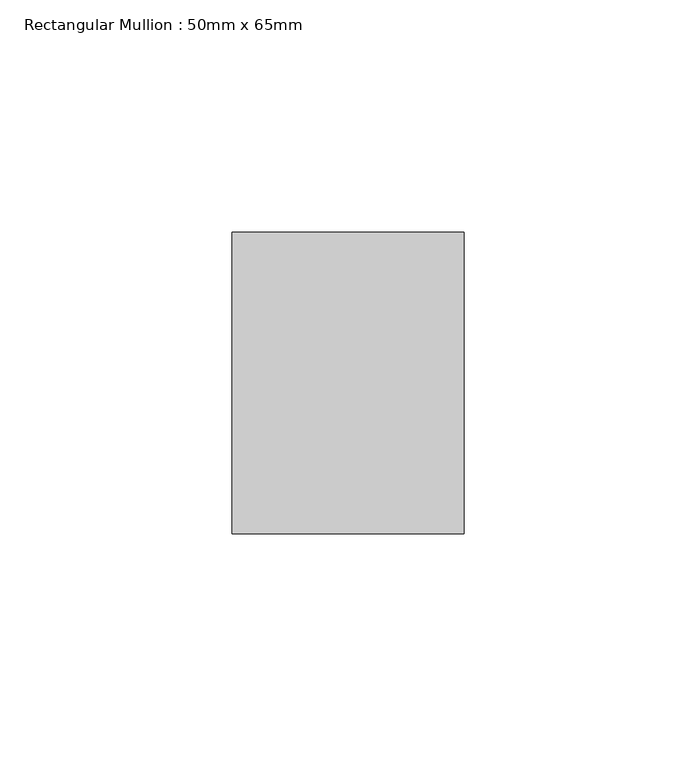
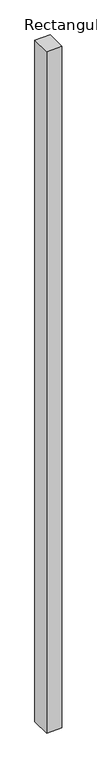
"""IFC4 building model written with IfcOpenShell, lengths in millimetres: member geometry, Rectangular Mullion : 50mm x 65mm."""

import ifcopenshell
import ifcopenshell.guid

model = None  # the IFC model being written
_history = None  # IfcOwnerHistory: only IFC2X3 demands one
_inside = {}  # id of a spatial element -> (the spatial element, [elements in it])
_under = {}  # id of a project, library or spatial element -> (it, [spatial elements below it])
_declared = {}  # id of a project -> (the project, [libraries it declares])
_typed = {}  # id of a type object -> (the type object, [elements of that type])
_made_of = {}  # id of a material, layer set ... -> (it, [elements and type objects made of it])


def new_model(schema):
    """Start an empty IFC model of exactly this schema.

    Asked for "IFC4X3", IfcOpenShell would pick the latest addendum, in which some entities
    have other attributes; the version numbers below select the first issue.
    IFC2X3 requires an IfcOwnerHistory on every rooted entity: one is made here for all.
    """
    global model, _history
    if schema == "IFC4X3":
        model = ifcopenshell.file(schema_version=(4, 3, 0, 0))
    else:
        model = ifcopenshell.file(schema=schema)
    _inside.clear()
    _under.clear()
    _declared.clear()
    _typed.clear()
    _made_of.clear()
    _history = None
    if model.schema == "IFC2X3":
        org = make("IfcOrganization", Name="unknown")
        user = make(
            "IfcPersonAndOrganization",
            ThePerson=make("IfcPerson", FamilyName="unknown"),
            TheOrganization=org,
        )
        app = make(
            "IfcApplication",
            ApplicationDeveloper=org,
            Version="unknown",
            ApplicationFullName="unknown",
            ApplicationIdentifier="unknown",
        )
        _history = make(
            "IfcOwnerHistory",
            OwningUser=user,
            OwningApplication=app,
            ChangeAction="ADDED",
            CreationDate=0,
        )
    return model


def make(cls, **values):
    """One entity of the class cls with the attributes given. An attribute that is None is left unset."""
    return model.create_entity(
        cls, **{name: value for name, value in values.items() if value is not None}
    )


def rooted(cls, **values):
    """An entity with a GlobalId (a new one), such as an element, a storey or a relation."""
    return make(cls, GlobalId=ifcopenshell.guid.new(), OwnerHistory=_history, **values)


def si_unit(unit_type, name, prefix=None):
    """IfcSIUnit, for example si_unit("LENGTHUNIT", "METRE", prefix="MILLI")."""
    return make("IfcSIUnit", UnitType=unit_type, Prefix=prefix, Name=name)


def assignment(units):
    """IfcUnitAssignment: the units of a project."""
    return None if units is None else make("IfcUnitAssignment", Units=units)


def point(xyz):
    """IfcCartesianPoint."""
    return None if xyz is None else make("IfcCartesianPoint", Coordinates=xyz)


def direction(xyz):
    """IfcDirection."""
    return None if xyz is None else make("IfcDirection", DirectionRatios=xyz)


def frame(location, z_axis=None, x_axis=None):
    """IfcAxis2Placement3D, a coordinate frame: its origin and axes. An axis left out is left unset."""
    return make(
        "IfcAxis2Placement3D",
        Location=point(location),
        Axis=direction(z_axis),
        RefDirection=direction(x_axis),
    )


def origin():
    """The frame at (0, 0, 0) with its axes left unset."""
    return frame((0.0, 0.0, 0.0))


def place(relative_to, where):
    """IfcLocalPlacement: puts the frame where relative to a parent placement (None: the world)."""
    return make(
        "IfcLocalPlacement", PlacementRelTo=relative_to, RelativePlacement=where
    )


def context(
    kind, dimensions, precision=None, world=None, true_north=None, identifier=None
):
    """IfcGeometricRepresentationContext, for example the 3D "Model" context."""
    return make(
        "IfcGeometricRepresentationContext",
        ContextIdentifier=identifier,
        ContextType=kind,
        CoordinateSpaceDimension=dimensions,
        Precision=precision,
        WorldCoordinateSystem=world,
        TrueNorth=true_north,
    )


def project(units=None, contexts=None):
    """IfcProject with its units and contexts."""
    return rooted(
        "IfcProject",
        Name="project",
        RepresentationContexts=contexts,
        UnitsInContext=assignment(units),
    )


def spatial(cls, under=None, at=None, **own):
    """A site, building, storey or space (cls), placed at a placement, below another one or the project."""
    s = rooted(cls, ObjectPlacement=at, **own)
    if under is not None:
        _under.setdefault(under.id(), (under, []))[1].append(s)
    return s


def polyline(points):
    """IfcPolyline through the points."""
    return make("IfcPolyline", Points=[point(p) for p in points])


def outline(outer, holes=None, kind="AREA"):
    """IfcArbitraryClosedProfileDef: a profile drawn as a closed curve; with holes, ...WithVoids."""
    if holes is None:
        return make("IfcArbitraryClosedProfileDef", ProfileType=kind, OuterCurve=outer)
    return make(
        "IfcArbitraryProfileDefWithVoids",
        ProfileType=kind,
        OuterCurve=outer,
        InnerCurves=holes,
    )


def extrude(swept, where, along, depth):
    """IfcExtrudedAreaSolid: the profile swept, set in the frame where, extruded along a direction by depth."""
    return make(
        "IfcExtrudedAreaSolid",
        SweptArea=swept,
        Position=where,
        ExtrudedDirection=direction(along),
        Depth=depth,
    )


def shape(context_of_items, identifier, shape_type, items):
    """IfcShapeRepresentation: the items that make up one representation, for example the "Body"."""
    return make(
        "IfcShapeRepresentation",
        ContextOfItems=context_of_items,
        RepresentationIdentifier=identifier,
        RepresentationType=shape_type,
        Items=items,
    )


def source(mapping_origin, context_of_items, identifier, shape_type, items):
    """IfcRepresentationMap: a shape defined once, which mapped items show again and again."""
    return make(
        "IfcRepresentationMap",
        MappingOrigin=mapping_origin,
        MappedRepresentation=shape(context_of_items, identifier, shape_type, items),
    )


def transform(
    local_origin,
    x_axis=None,
    y_axis=None,
    z_axis=None,
    scale=None,
    scale2=None,
    scale3=None,
    uniform=True,
):
    """IfcCartesianTransformationOperator3D, or its non-uniform kind. x_axis, y_axis, z_axis: its Axis1, 2, 3."""
    if uniform:
        return make(
            "IfcCartesianTransformationOperator3D",
            Axis1=direction(x_axis),
            Axis2=direction(y_axis),
            LocalOrigin=point(local_origin),
            Scale=scale,
            Axis3=direction(z_axis),
        )
    return make(
        "IfcCartesianTransformationOperator3DnonUniform",
        Axis1=direction(x_axis),
        Axis2=direction(y_axis),
        LocalOrigin=point(local_origin),
        Scale=scale,
        Axis3=direction(z_axis),
        Scale2=scale2,
        Scale3=scale3,
    )


def mapped(mapping_source, mapping_target):
    """IfcMappedItem: shows the shape of a source again, moved by a transform."""
    return make(
        "IfcMappedItem", MappingSource=mapping_source, MappingTarget=mapping_target
    )


def made_of(thing, what):
    """Note that an element or type object is made of a material, layer set ...; save() writes the relation."""
    if what is not None:
        _made_of.setdefault(what.id(), (what, []))[1].append(thing)
    return thing


def element(
    cls,
    number,
    at=None,
    inside=None,
    cuts=None,
    type_object=None,
    material=None,
    context=None,
    identifier="Body",
    shape_type=None,
    held_by="IfcProductDefinitionShape",
    body=None,
    shapes=None,
    **own,
):
    """One element of the class cls, such as IfcWall. Its Tag is "e" and its number.

    at: its placement. inside: the storey or other place that contains it. cuts: it is an
    opening in that element (IfcRelVoidsElement). A single representation is given by context,
    identifier, shape_type and body (its items); several are given by shapes. held_by: the class
    of the entity that holds the representations. save() writes the other relations.
    """
    e = rooted(cls, Tag="e%d" % number, ObjectPlacement=at, **own)
    if body is not None:
        shapes = [shape(context, identifier, shape_type, body)]
    if shapes is not None:
        e.Representation = make(held_by, Representations=shapes)
    if inside is not None:
        _inside.setdefault(inside.id(), (inside, []))[1].append(e)
    if cuts is not None:
        rooted(
            "IfcRelVoidsElement", RelatingBuildingElement=cuts, RelatedOpeningElement=e
        )
    if type_object is not None:
        _typed.setdefault(type_object.id(), (type_object, []))[1].append(e)
    return made_of(e, material)


def aggregate(whole, parts):
    """IfcRelAggregates: a whole, such as a stair, and the parts it consists of."""
    return rooted("IfcRelAggregates", RelatingObject=whole, RelatedObjects=parts)


def save(model, path):
    """Write the relations noted so far, then the file.

    IfcRelAggregates (storeys below a building ...), IfcRelContainedInSpatialStructure (elements
    in a storey), IfcRelDefinesByType, IfcRelAssociatesMaterial and IfcRelDeclares: one each for
    every whole, place, type object, material and project.
    """
    for whole, parts in _under.values():
        aggregate(whole, parts)
    for where, things in _inside.values():
        rooted(
            "IfcRelContainedInSpatialStructure",
            RelatedElements=things,
            RelatingStructure=where,
        )
    for kind, things in _typed.values():
        rooted("IfcRelDefinesByType", RelatedObjects=things, RelatingType=kind)
    for what, things in _made_of.values():
        rooted("IfcRelAssociatesMaterial", RelatedObjects=things, RelatingMaterial=what)
    for by, libraries in _declared.values():
        rooted("IfcRelDeclares", RelatingContext=by, RelatedDefinitions=libraries)
    model.write(path)


def rectangular_mullion_50mm_x_65mm_05291bd5(model_context):
    return source(origin(), model_context, "Body", "SweptSolid", [
        extrude(outline(polyline([(25.0, 32.5), (25.0, -32.5), (-25.0, -32.5), (-25.0, 32.5), (25.0, 32.5)])), frame((0.0, 0.0, -2332.1782682), z_axis=(0.0, 0.0, 1.0), x_axis=(1.0, 0.0, 0.0)), (0.0, 0.0, 1.0), 2332.1782682),
    ])


if __name__ == "__main__":
    model = new_model("IFC4")
    model_context = context("Model", 3, world=origin())
    ifc_project = project(units=[si_unit("LENGTHUNIT", "METRE", prefix="MILLI")], contexts=[model_context])
    site = spatial("IfcSite", under=ifc_project)
    building = spatial("IfcBuilding", under=site)
    placement = place(None, origin())
    rectangular_mullion_50mm_x_65mm_shape = rectangular_mullion_50mm_x_65mm_05291bd5(model_context)
    element("IfcMember", 1, ObjectType="Rectangular Mullion : 50mm x 65mm", at=placement, inside=building, context=model_context, shape_type="MappedRepresentation", body=[
        mapped(rectangular_mullion_50mm_x_65mm_shape, transform((0.0, 0.0, 0.0), x_axis=(1.0, 0.0, 0.0), y_axis=(0.0, 1.0, 0.0), z_axis=(0.0, 0.0, 1.0))),
    ])
    save(model, "model.ifc")
